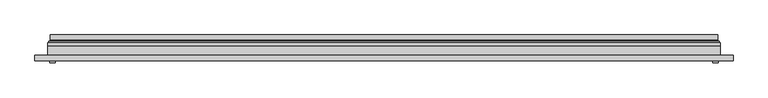
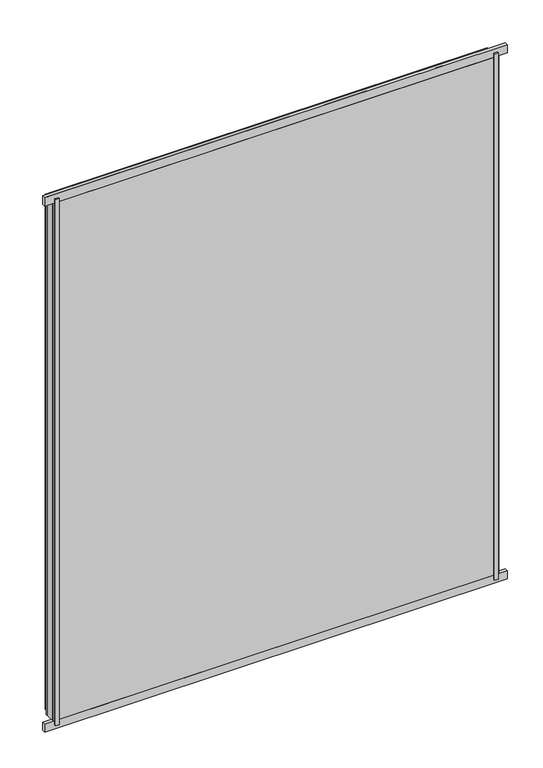
"""IFC4 building model written with IfcOpenShell, lengths in millimetres: plate geometry."""

from ifc_helpers import new_model, si_unit, frame, origin, origin_with_axes, place, context, project, spatial, polyline, ellipse_curve, outline, extrude, source, transform, mapped, element, save
from ifc_brep_helpers import plane_surface, cylinder_surface, revolved_surface, advanced_brep


def plate_c18001d9(model_context):
    return source(origin(), model_context, "Body", "SolidModel", [
        extrude(outline(polyline([(587.5, -23.0), (597.5, -23.0), (597.5, -27.0), (587.5, -27.0), (587.5, -23.0)])), origin_with_axes(), (0.0, 0.0, 1.0), 1500.0),
        extrude(outline(polyline([(-587.5, -23.0), (-587.5, -27.0), (-597.5, -27.0), (-597.5, -23.0), (-587.5, -23.0)])), origin_with_axes(), (0.0, 0.0, 1.0), 1500.0),
        extrude(outline(polyline([(624.0, -23.0), (-624.0, -23.0), (-624.0, -13.51), (624.0, -13.51), (624.0, -23.0)])), frame((0.0, 0.0, -11.5), z_axis=(0.0, 0.0, 1.0), x_axis=(1.0, 0.0, 0.0)), (0.0, 0.0, 1.0), 23.0),
        extrude(outline(polyline([(624.0, -23.0), (-624.0, -23.0), (-624.0, -13.51), (624.0, -13.51), (624.0, -23.0)])), frame((0.0, 0.0, 1488.5), z_axis=(0.0, 0.0, 1.0), x_axis=(1.0, 0.0, 0.0)), (0.0, 0.0, 1.0), 23.0),
        extrude(outline(polyline([(11.5, -601.0), (11.5, 601.0), (1488.5, 601.0), (1488.5, -601.0), (11.5, -601.0)]), holes=[polyline([(33.5, 579.0), (33.5, -579.0), (1466.5, -579.0), (1466.5, 579.0), (33.5, 579.0)])]), frame((0.0, -17.0, 0.0), z_axis=(0.0, 1.0, 0.0), x_axis=(0.0, 0.0, 1.0)), (0.0, 0.0, 1.0), 20.0),
        extrude(outline(polyline([(33.5, -579.0), (33.5, 579.0), (1466.5, 579.0), (1466.5, -579.0), (33.5, -579.0)]), holes=[polyline([(38.5, 574.0), (38.5, -574.0), (1461.5, -574.0), (1461.5, 574.0), (38.5, 574.0)])]), frame((0.0, -17.0, 0.0), z_axis=(0.0, 1.0, 0.0), x_axis=(0.0, 0.0, 1.0)), (0.0, 0.0, 1.0), 20.0),
        extrude(outline(polyline([(601.0, 9.0), (601.0, 3.0), (-601.0, 3.0), (-601.0, 9.0), (601.0, 9.0)])), frame((0.0, 0.0, 11.5), z_axis=(0.0, 0.0, 1.0), x_axis=(1.0, 0.0, 0.0)), (0.0, 0.0, 1.0), 1477.0),
        extrude(outline(polyline([(-601.0, -23.0), (-601.0, -17.0), (601.0, -17.0), (601.0, -23.0), (-601.0, -23.0)])), frame((0.0, 0.0, 11.5), z_axis=(0.0, 0.0, 1.0), x_axis=(1.0, 0.0, 0.0)), (0.0, 0.0, 1.0), 1477.0),
        advanced_brep(
        [(-596.5, 23.0, 16.0), (596.5, 23.0, 16.0), (596.5, 13.9230471, 16.0), (-596.5, 13.9230471, 16.0), (-587.5, 12.9110883, 25.0), (587.5, 12.9110883, 25.0), (587.5, 23.0, 25.0), (-587.5, 23.0, 25.0), (596.5, 23.0, 1484.0), (596.5, 13.9230471, 1484.0), (587.5, 12.9110883, 1475.0), (587.5, 23.0, 1475.0), (-596.5, 23.0, 1484.0), (-596.5, 13.9230471, 1484.0), (-587.5, 12.9110883, 1475.0), (-587.5, 23.0, 1475.0), (-597.7540757, 9.0, 14.7459243), (597.7540757, 9.0, 14.7459243), (597.7540757, 9.0, 1485.2540757), (-597.7540757, 9.0, 1485.2540757), (587.2, 9.0, 25.3), (-587.2, 9.0, 25.3), (-587.2, 9.0, 1474.7), (587.2, 9.0, 1474.7), (-586.5625, 11.2166581, 25.9375), (586.5625, 11.2166581, 25.9375), (-598.0737576, 11.9689955, 14.4262425), (598.0737576, 11.9689955, 14.4262425), (586.5625, 11.2166581, 1474.0625), (598.0737576, 11.9689955, 1485.5737575), (-586.5625, 11.2166581, 1474.0625), (-598.0737576, 11.9689955, 1485.5737575)],
        [
            (0, 1),
            (1, 2),
            (2, 3),
            (3, 0),
            (4, 5),
            (5, 6),
            (6, 7),
            (7, 4),
            (1, 8),
            (8, 9),
            (9, 2),
            (5, 10),
            (10, 11),
            (11, 6),
            (8, 12),
            (12, 13),
            (13, 9),
            (10, 14),
            (14, 15),
            (15, 11),
            (16, 17),
            (17, 18),
            (18, 19),
            (19, 16),
            (20, 21),
            (21, 22),
            (22, 23),
            (23, 20),
            (12, 0),
            (3, 13),
            (15, 7),
            (14, 4),
            (24, 25),
            (25, 5, ellipse_curve(frame((585.5, 12.9110883, 27.0), z_axis=(0.7071067811865475, 0.0, 0.7071067811865475), x_axis=(0.7071067811865476, 0.0, -0.7071067811865474)), 2.8284271, 2.0)),
            (4, 24, ellipse_curve(frame((-585.5, 12.9110883, 27.0), z_axis=(-0.7071067811865475, 0.0, 0.7071067811865475), x_axis=(0.7071067811865476, 0.0, 0.7071067811865474)), 2.8284271, 2.0)),
            (20, 25, ellipse_curve(frame((587.2, 10.2, 25.3), z_axis=(-0.7071067811865475, 0.0, -0.7071067811865475), x_axis=(-0.7071067811865476, 0.0, 0.7071067811865474)), 1.6970563, 1.2)),
            (24, 21, ellipse_curve(frame((-587.2, 10.2, 25.3), z_axis=(0.7071067811865475, 0.0, -0.7071067811865475), x_axis=(-0.7071067811865476, 0.0, -0.7071067811865474)), 1.6970563, 1.2)),
            (26, 27),
            (27, 17, ellipse_curve(frame((597.7540757, 10.5034569, 14.7459243), z_axis=(-0.7071067811865475, 0.0, -0.7071067811865475), x_axis=(-0.7071067811865476, 0.0, 0.7071067811865474)), 2.1213203, 1.5)),
            (16, 26, ellipse_curve(frame((-597.7540757, 10.5034569, 14.7459243), z_axis=(0.7071067811865475, 0.0, -0.7071067811865475), x_axis=(-0.7071067811865476, 0.0, -0.7071067811865474)), 2.1213203, 1.5)),
            (25, 28),
            (28, 10, ellipse_curve(frame((585.5, 12.9110883, 1473.0), z_axis=(-0.7071067811865475, 0.0, 0.7071067811865475), x_axis=(0.7071067811865474, 0.0, 0.7071067811865476)), 2.8284271, 2.0)),
            (23, 28, ellipse_curve(frame((587.2, 10.2, 1474.7), z_axis=(0.7071067811865475, 0.0, -0.7071067811865475), x_axis=(-0.7071067811865474, 0.0, -0.7071067811865476)), 1.6970563, 1.2)),
            (27, 29),
            (29, 18, ellipse_curve(frame((597.7540757, 10.5034569, 1485.2540757), z_axis=(0.7071067811865475, 0.0, -0.7071067811865475), x_axis=(-0.7071067811865474, 0.0, -0.7071067811865476)), 2.1213203, 1.5)),
            (28, 30),
            (30, 14, ellipse_curve(frame((-585.5, 12.9110883, 1473.0), z_axis=(-0.7071067811865475, 0.0, -0.7071067811865475), x_axis=(-0.7071067811865476, 0.0, 0.7071067811865474)), 2.8284271, 2.0)),
            (22, 30, ellipse_curve(frame((-587.2, 10.2, 1474.7), z_axis=(0.7071067811865475, 0.0, 0.7071067811865475), x_axis=(0.7071067811865476, 0.0, -0.7071067811865474)), 1.6970563, 1.2)),
            (29, 31),
            (31, 19, ellipse_curve(frame((-597.7540757, 10.5034569, 1485.2540757), z_axis=(0.7071067811865475, 0.0, 0.7071067811865475), x_axis=(0.7071067811865476, 0.0, -0.7071067811865474)), 2.1213203, 1.5)),
            (30, 24),
            (31, 26),
            (2, 27, ellipse_curve(frame((598.5, 13.9230471, 14.0), z_axis=(0.7071067811865475, 0.0, 0.7071067811865475), x_axis=(0.7071067811865476, 0.0, -0.7071067811865474)), 2.8284271, 2.0)),
            (26, 3, ellipse_curve(frame((-598.5, 13.9230471, 14.0), z_axis=(-0.7071067811865475, 0.0, 0.7071067811865475), x_axis=(0.7071067811865476, 0.0, 0.7071067811865474)), 2.8284271, 2.0)),
            (9, 29, ellipse_curve(frame((598.5, 13.9230471, 1486.0), z_axis=(-0.7071067811865475, 0.0, 0.7071067811865475), x_axis=(0.7071067811865474, 0.0, 0.7071067811865476)), 2.8284271, 2.0)),
            (13, 31, ellipse_curve(frame((-598.5, 13.9230471, 1486.0), z_axis=(-0.7071067811865475, 0.0, -0.7071067811865475), x_axis=(-0.7071067811865476, 0.0, 0.7071067811865474)), 2.8284271, 2.0)),
        ],
        [
            plane_surface(frame((-596.5, 13.9230471, 16.0), z_axis=(0.0, 0.0, -1.0), x_axis=(1.0, 0.0, 0.0))),
            plane_surface(frame((-587.5, 23.0, 25.0), z_axis=(0.0, 0.0, 1.0), x_axis=(1.0, 0.0, 0.0))),
            plane_surface(frame((596.5, 13.9230471, 16.0), z_axis=(1.0, 0.0, 0.0), x_axis=(0.0, 0.0, 1.0))),
            plane_surface(frame((587.5, 23.0, 25.0), z_axis=(-1.0, 0.0, 0.0), x_axis=(0.0, 0.0, 1.0))),
            plane_surface(frame((596.5, 13.9230471, 1484.0), z_axis=(0.0, 0.0, 1.0), x_axis=(-1.0, 0.0, 0.0))),
            plane_surface(frame((587.5, 23.0, 1475.0), z_axis=(0.0, 0.0, -1.0), x_axis=(-1.0, 0.0, 0.0))),
            plane_surface(frame((-587.2, 9.0, 1474.7), z_axis=(0.0, -1.0, 0.0), x_axis=(0.0, 0.0, -1.0))),
            plane_surface(frame((-596.5, 13.9230471, 1484.0), z_axis=(-1.0, 0.0, 0.0), x_axis=(0.0, 0.0, -1.0))),
            plane_surface(frame((-596.5, 23.0, 1484.0), z_axis=(0.0, 1.0, 0.0), x_axis=(0.0, 0.0, -1.0))),
            plane_surface(frame((-587.5, 23.0, 1475.0), z_axis=(1.0, 0.0, 0.0), x_axis=(0.0, 0.0, -1.0))),
            revolved_surface(polyline([(587.5, 10.9110883, 27.0), (-587.5, 10.9110883, 27.0)]), (-601.0, 12.9110883, 27.0), (1.0, 0.0, 0.0)),
            cylinder_surface(frame((-601.0, 10.2, 25.3), z_axis=(-1.0, 0.0, 0.0), x_axis=(0.0, -1.0, 0.0)), 1.2),
            cylinder_surface(frame((-601.0, 10.5034569, 14.7459243), z_axis=(-1.0, 0.0, 0.0), x_axis=(0.0, -1.0, 0.0)), 1.5),
            revolved_surface(polyline([(585.5, 10.9110883, 1475.0), (585.5, 10.9110883, 25.0)]), (585.5, 12.9110883, 11.5), (0.0, 0.0, 1.0)),
            cylinder_surface(frame((587.2, 10.2, 11.5), z_axis=(0.0, 0.0, -1.0), x_axis=(0.0, -1.0, 0.0)), 1.2),
            cylinder_surface(frame((597.7540757, 10.5034569, 11.5), z_axis=(0.0, 0.0, -1.0), x_axis=(0.0, -1.0, 0.0)), 1.5),
            revolved_surface(polyline([(-587.5, 10.9110883, 1473.0), (587.5, 10.9110883, 1473.0)]), (601.0, 12.9110883, 1473.0), (-1.0, 0.0, 0.0)),
            cylinder_surface(frame((601.0, 10.2, 1474.7), z_axis=(1.0, 0.0, 0.0), x_axis=(0.0, -1.0, 0.0)), 1.2),
            cylinder_surface(frame((601.0, 10.5034569, 1485.2540757), z_axis=(1.0, 0.0, 0.0), x_axis=(0.0, -1.0, 0.0)), 1.5),
            revolved_surface(polyline([(-585.5, 10.9110883, 25.0), (-585.5, 10.9110883, 1475.0)]), (-585.5, 12.9110883, 1488.5), (0.0, 0.0, -1.0)),
            cylinder_surface(frame((-587.2, 10.2, 1488.5), z_axis=(0.0, 0.0, 1.0), x_axis=(0.0, -1.0, 0.0)), 1.2),
            cylinder_surface(frame((-597.7540757, 10.5034569, 1488.5), z_axis=(0.0, 0.0, 1.0), x_axis=(0.0, -1.0, 0.0)), 1.5),
            revolved_surface(polyline([(600.4999999825018, 11.9230471, 14.0), (-600.4999999825018, 11.9230471, 14.0)]), (-601.0, 13.9230471, 14.0), (1.0, 0.0, 0.0)),
            revolved_surface(polyline([(598.5, 11.9230471, 1487.9999999825018), (598.5, 11.9230471, 12.000000017498198)]), (598.5, 13.9230471, 11.5), (0.0, 0.0, 1.0)),
            revolved_surface(polyline([(-600.4999999825018, 11.9230471, 1486.0), (600.4999999825018, 11.9230471, 1486.0)]), (601.0, 13.9230471, 1486.0), (-1.0, 0.0, 0.0)),
            revolved_surface(polyline([(-598.5, 11.9230471, 12.000000017498223), (-598.5, 11.9230471, 1487.9999999825018)]), (-598.5, 13.9230471, 1488.5), (0.0, 0.0, -1.0)),
        ],
        [
            (0, [[1, 2, 3, 4]]),
            (1, [[5, 6, 7, 8]]),
            (2, [[9, 10, 11, -2]]),
            (3, [[12, 13, 14, -6]]),
            (4, [[15, 16, 17, -10]]),
            (5, [[18, 19, 20, -13]]),
            (6, [[21, 22, 23, 24], [25, 26, 27, 28]]),
            (7, [[29, -4, 30, -16]]),
            (8, [[-1, -29, -15, -9], [-7, -14, -20, 31]]),
            (9, [[32, -8, -31, -19]]),
            (10, [[33, 34, -5, 35]]),
            (11, [[-25, 36, -33, 37]]),
            (12, [[38, 39, -21, 40]]),
            (13, [[41, 42, -12, -34]]),
            (14, [[-28, 43, -41, -36]]),
            (15, [[44, 45, -22, -39]]),
            (16, [[46, 47, -18, -42]]),
            (17, [[-27, 48, -46, -43]]),
            (18, [[49, 50, -23, -45]]),
            (19, [[51, -35, -32, -47]]),
            (20, [[-26, -37, -51, -48]]),
            (21, [[52, -40, -24, -50]]),
            (22, [[-3, 53, -38, 54]]),
            (23, [[-11, 55, -44, -53]]),
            (24, [[-17, 56, -49, -55]]),
            (25, [[-30, -54, -52, -56]]),
        ],
    ),
    ])


if __name__ == "__main__":
    model = new_model("IFC4")
    model_context = context("Model", 3, world=origin())
    ifc_project = project(units=[si_unit("LENGTHUNIT", "METRE", prefix="MILLI")], contexts=[model_context])
    site = spatial("IfcSite", under=ifc_project)
    building = spatial("IfcBuilding", under=site)
    placement = place(None, origin())
    plate_shape = plate_c18001d9(model_context)
    element("IfcPlate", 1, at=placement, inside=building, context=model_context, shape_type="MappedRepresentation", body=[
        mapped(plate_shape, transform((0.0, 0.0, 0.0), x_axis=(1.0, 0.0, 0.0), y_axis=(0.0, 1.0, 0.0), z_axis=(0.0, 0.0, 1.0))),
    ])
    save(model, "model.ifc")
